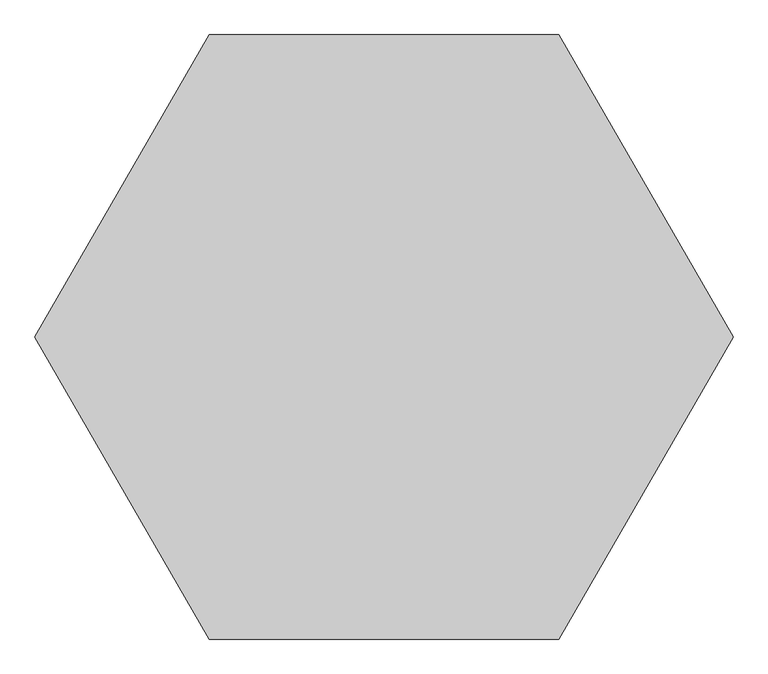
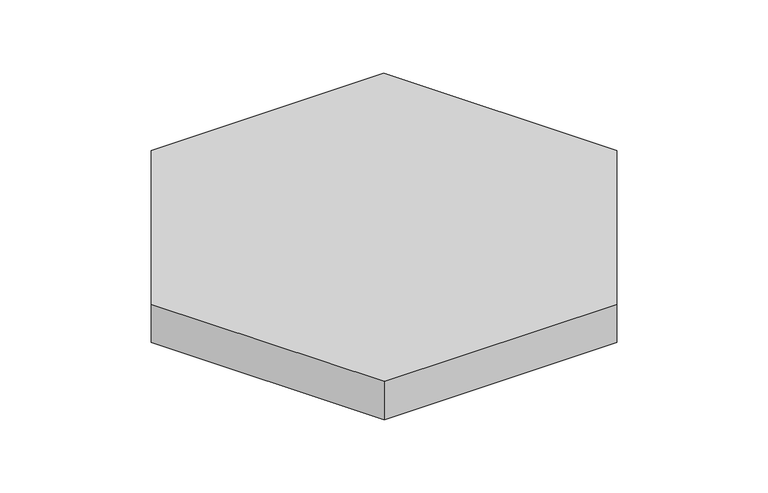
"""IFC4 building model written with IfcOpenShell, lengths in millimetres: proxy geometry."""

from ifc_helpers import new_model, si_unit, origin, origin_with_axes, place, context, project, spatial, polyline, outline, extrude, source, transform, mapped, element, save


def generic_models_edd80eac(model_context):
    return source(origin(), model_context, "Body", "SweptSolid", [
        extrude(outline(polyline([(231497.4105811, 220873.9561547), (242997.4105811, 200955.3718676), (231497.4105811, 181036.7875806), (208497.4105811, 181036.7875806), (196997.4105811, 200955.3718676), (208497.4105811, 220873.9561547), (231497.4105811, 220873.9561547)])), origin_with_axes(), (0.0, 0.0, 1.0), 4000.0),
    ])


if __name__ == "__main__":
    model = new_model("IFC4")
    model_context = context("Model", 3, world=origin())
    ifc_project = project(units=[si_unit("LENGTHUNIT", "METRE", prefix="MILLI")], contexts=[model_context])
    site = spatial("IfcSite", under=ifc_project)
    building = spatial("IfcBuilding", under=site)
    placement = place(None, origin())
    generic_models_shape = generic_models_edd80eac(model_context)
    element("IfcBuildingElementProxy", 1, Name="Generic Models", at=placement, inside=building, context=model_context, shape_type="MappedRepresentation", body=[
        mapped(generic_models_shape, transform((0.0, 0.0, 0.0), x_axis=(1.0, 0.0, 0.0), y_axis=(0.0, 1.0, 0.0), z_axis=(0.0, 0.0, 1.0))),
    ])
    save(model, "model.ifc")
